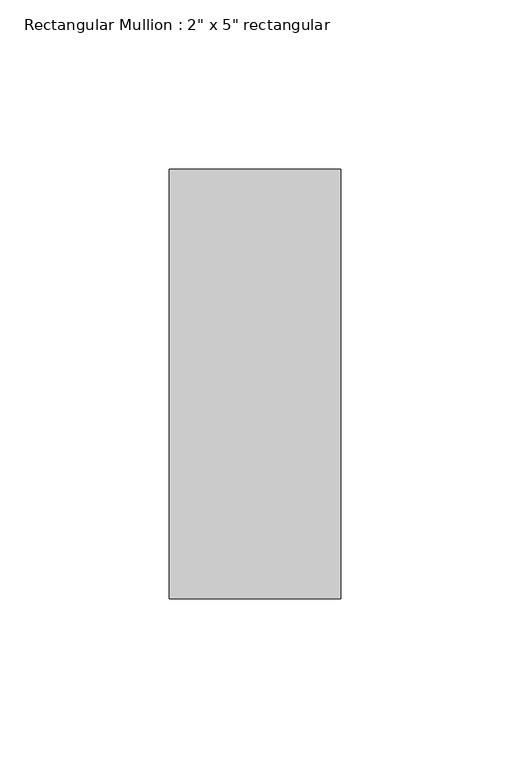
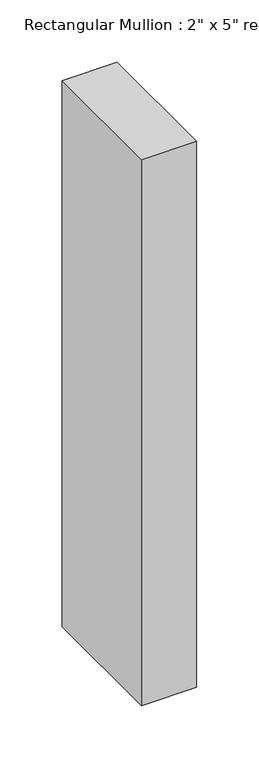
"""IFC4 building model written with IfcOpenShell, lengths in millimetres: member geometry."""

import ifcopenshell
import ifcopenshell.guid

model = None  # the IFC model being written
_history = None  # IfcOwnerHistory: only IFC2X3 demands one
_inside = {}  # id of a spatial element -> (the spatial element, [elements in it])
_under = {}  # id of a project, library or spatial element -> (it, [spatial elements below it])
_declared = {}  # id of a project -> (the project, [libraries it declares])
_typed = {}  # id of a type object -> (the type object, [elements of that type])
_made_of = {}  # id of a material, layer set ... -> (it, [elements and type objects made of it])


def new_model(schema):
    """Start an empty IFC model of exactly this schema.

    Asked for "IFC4X3", IfcOpenShell would pick the latest addendum, in which some entities
    have other attributes; the version numbers below select the first issue.
    IFC2X3 requires an IfcOwnerHistory on every rooted entity: one is made here for all.
    """
    global model, _history
    if schema == "IFC4X3":
        model = ifcopenshell.file(schema_version=(4, 3, 0, 0))
    else:
        model = ifcopenshell.file(schema=schema)
    _inside.clear()
    _under.clear()
    _declared.clear()
    _typed.clear()
    _made_of.clear()
    _history = None
    if model.schema == "IFC2X3":
        org = make("IfcOrganization", Name="unknown")
        user = make(
            "IfcPersonAndOrganization",
            ThePerson=make("IfcPerson", FamilyName="unknown"),
            TheOrganization=org,
        )
        app = make(
            "IfcApplication",
            ApplicationDeveloper=org,
            Version="unknown",
            ApplicationFullName="unknown",
            ApplicationIdentifier="unknown",
        )
        _history = make(
            "IfcOwnerHistory",
            OwningUser=user,
            OwningApplication=app,
            ChangeAction="ADDED",
            CreationDate=0,
        )
    return model


def make(cls, **values):
    """One entity of the class cls with the attributes given. An attribute that is None is left unset."""
    return model.create_entity(
        cls, **{name: value for name, value in values.items() if value is not None}
    )


def rooted(cls, **values):
    """An entity with a GlobalId (a new one), such as an element, a storey or a relation."""
    return make(cls, GlobalId=ifcopenshell.guid.new(), OwnerHistory=_history, **values)


def si_unit(unit_type, name, prefix=None):
    """IfcSIUnit, for example si_unit("LENGTHUNIT", "METRE", prefix="MILLI")."""
    return make("IfcSIUnit", UnitType=unit_type, Prefix=prefix, Name=name)


def assignment(units):
    """IfcUnitAssignment: the units of a project."""
    return None if units is None else make("IfcUnitAssignment", Units=units)


def point(xyz):
    """IfcCartesianPoint."""
    return None if xyz is None else make("IfcCartesianPoint", Coordinates=xyz)


def direction(xyz):
    """IfcDirection."""
    return None if xyz is None else make("IfcDirection", DirectionRatios=xyz)


def frame(location, z_axis=None, x_axis=None):
    """IfcAxis2Placement3D, a coordinate frame: its origin and axes. An axis left out is left unset."""
    return make(
        "IfcAxis2Placement3D",
        Location=point(location),
        Axis=direction(z_axis),
        RefDirection=direction(x_axis),
    )


def origin():
    """The frame at (0, 0, 0) with its axes left unset."""
    return frame((0.0, 0.0, 0.0))


def place(relative_to, where):
    """IfcLocalPlacement: puts the frame where relative to a parent placement (None: the world)."""
    return make(
        "IfcLocalPlacement", PlacementRelTo=relative_to, RelativePlacement=where
    )


def context(
    kind, dimensions, precision=None, world=None, true_north=None, identifier=None
):
    """IfcGeometricRepresentationContext, for example the 3D "Model" context."""
    return make(
        "IfcGeometricRepresentationContext",
        ContextIdentifier=identifier,
        ContextType=kind,
        CoordinateSpaceDimension=dimensions,
        Precision=precision,
        WorldCoordinateSystem=world,
        TrueNorth=true_north,
    )


def project(units=None, contexts=None):
    """IfcProject with its units and contexts."""
    return rooted(
        "IfcProject",
        Name="project",
        RepresentationContexts=contexts,
        UnitsInContext=assignment(units),
    )


def spatial(cls, under=None, at=None, **own):
    """A site, building, storey or space (cls), placed at a placement, below another one or the project."""
    s = rooted(cls, ObjectPlacement=at, **own)
    if under is not None:
        _under.setdefault(under.id(), (under, []))[1].append(s)
    return s


def polyline(points):
    """IfcPolyline through the points."""
    return make("IfcPolyline", Points=[point(p) for p in points])


def outline(outer, holes=None, kind="AREA"):
    """IfcArbitraryClosedProfileDef: a profile drawn as a closed curve; with holes, ...WithVoids."""
    if holes is None:
        return make("IfcArbitraryClosedProfileDef", ProfileType=kind, OuterCurve=outer)
    return make(
        "IfcArbitraryProfileDefWithVoids",
        ProfileType=kind,
        OuterCurve=outer,
        InnerCurves=holes,
    )


def extrude(swept, where, along, depth):
    """IfcExtrudedAreaSolid: the profile swept, set in the frame where, extruded along a direction by depth."""
    return make(
        "IfcExtrudedAreaSolid",
        SweptArea=swept,
        Position=where,
        ExtrudedDirection=direction(along),
        Depth=depth,
    )


def shape(context_of_items, identifier, shape_type, items):
    """IfcShapeRepresentation: the items that make up one representation, for example the "Body"."""
    return make(
        "IfcShapeRepresentation",
        ContextOfItems=context_of_items,
        RepresentationIdentifier=identifier,
        RepresentationType=shape_type,
        Items=items,
    )


def source(mapping_origin, context_of_items, identifier, shape_type, items):
    """IfcRepresentationMap: a shape defined once, which mapped items show again and again."""
    return make(
        "IfcRepresentationMap",
        MappingOrigin=mapping_origin,
        MappedRepresentation=shape(context_of_items, identifier, shape_type, items),
    )


def transform(
    local_origin,
    x_axis=None,
    y_axis=None,
    z_axis=None,
    scale=None,
    scale2=None,
    scale3=None,
    uniform=True,
):
    """IfcCartesianTransformationOperator3D, or its non-uniform kind. x_axis, y_axis, z_axis: its Axis1, 2, 3."""
    if uniform:
        return make(
            "IfcCartesianTransformationOperator3D",
            Axis1=direction(x_axis),
            Axis2=direction(y_axis),
            LocalOrigin=point(local_origin),
            Scale=scale,
            Axis3=direction(z_axis),
        )
    return make(
        "IfcCartesianTransformationOperator3DnonUniform",
        Axis1=direction(x_axis),
        Axis2=direction(y_axis),
        LocalOrigin=point(local_origin),
        Scale=scale,
        Axis3=direction(z_axis),
        Scale2=scale2,
        Scale3=scale3,
    )


def mapped(mapping_source, mapping_target):
    """IfcMappedItem: shows the shape of a source again, moved by a transform."""
    return make(
        "IfcMappedItem", MappingSource=mapping_source, MappingTarget=mapping_target
    )


def made_of(thing, what):
    """Note that an element or type object is made of a material, layer set ...; save() writes the relation."""
    if what is not None:
        _made_of.setdefault(what.id(), (what, []))[1].append(thing)
    return thing


def element(
    cls,
    number,
    at=None,
    inside=None,
    cuts=None,
    type_object=None,
    material=None,
    context=None,
    identifier="Body",
    shape_type=None,
    held_by="IfcProductDefinitionShape",
    body=None,
    shapes=None,
    **own,
):
    """One element of the class cls, such as IfcWall. Its Tag is "e" and its number.

    at: its placement. inside: the storey or other place that contains it. cuts: it is an
    opening in that element (IfcRelVoidsElement). A single representation is given by context,
    identifier, shape_type and body (its items); several are given by shapes. held_by: the class
    of the entity that holds the representations. save() writes the other relations.
    """
    e = rooted(cls, Tag="e%d" % number, ObjectPlacement=at, **own)
    if body is not None:
        shapes = [shape(context, identifier, shape_type, body)]
    if shapes is not None:
        e.Representation = make(held_by, Representations=shapes)
    if inside is not None:
        _inside.setdefault(inside.id(), (inside, []))[1].append(e)
    if cuts is not None:
        rooted(
            "IfcRelVoidsElement", RelatingBuildingElement=cuts, RelatedOpeningElement=e
        )
    if type_object is not None:
        _typed.setdefault(type_object.id(), (type_object, []))[1].append(e)
    return made_of(e, material)


def aggregate(whole, parts):
    """IfcRelAggregates: a whole, such as a stair, and the parts it consists of."""
    return rooted("IfcRelAggregates", RelatingObject=whole, RelatedObjects=parts)


def save(model, path):
    """Write the relations noted so far, then the file.

    IfcRelAggregates (storeys below a building ...), IfcRelContainedInSpatialStructure (elements
    in a storey), IfcRelDefinesByType, IfcRelAssociatesMaterial and IfcRelDeclares: one each for
    every whole, place, type object, material and project.
    """
    for whole, parts in _under.values():
        aggregate(whole, parts)
    for where, things in _inside.values():
        rooted(
            "IfcRelContainedInSpatialStructure",
            RelatedElements=things,
            RelatingStructure=where,
        )
    for kind, things in _typed.values():
        rooted("IfcRelDefinesByType", RelatedObjects=things, RelatingType=kind)
    for what, things in _made_of.values():
        rooted("IfcRelAssociatesMaterial", RelatedObjects=things, RelatingMaterial=what)
    for by, libraries in _declared.values():
        rooted("IfcRelDeclares", RelatingContext=by, RelatedDefinitions=libraries)
    model.write(path)


def member_cc0d44fa(model_context):
    return source(origin(), model_context, "Body", "SweptSolid", [
        extrude(outline(polyline([(0.0, 63.5), (0.0, -63.5), (-50.8, -63.5), (-50.8, 63.5), (0.0, 63.5)])), frame((0.0, 0.0, -533.4), z_axis=(0.0, 0.0, 1.0), x_axis=(1.0, 0.0, 0.0)), (0.0, 0.0, 1.0), 533.4),
    ])


if __name__ == "__main__":
    model = new_model("IFC4")
    model_context = context("Model", 3, world=origin())
    ifc_project = project(units=[si_unit("LENGTHUNIT", "METRE", prefix="MILLI")], contexts=[model_context])
    site = spatial("IfcSite", under=ifc_project)
    building = spatial("IfcBuilding", under=site)
    placement = place(None, origin())
    member_shape = member_cc0d44fa(model_context)
    element("IfcMember", 1, ObjectType="Rectangular Mullion : 2\" x 5\" rectangular", at=placement, inside=building, context=model_context, shape_type="MappedRepresentation", body=[
        mapped(member_shape, transform((0.0, 0.0, 0.0), x_axis=(1.0, 0.0, 0.0), y_axis=(0.0, 1.0, 0.0), z_axis=(0.0, 0.0, 1.0))),
    ])
    save(model, "model.ifc")
